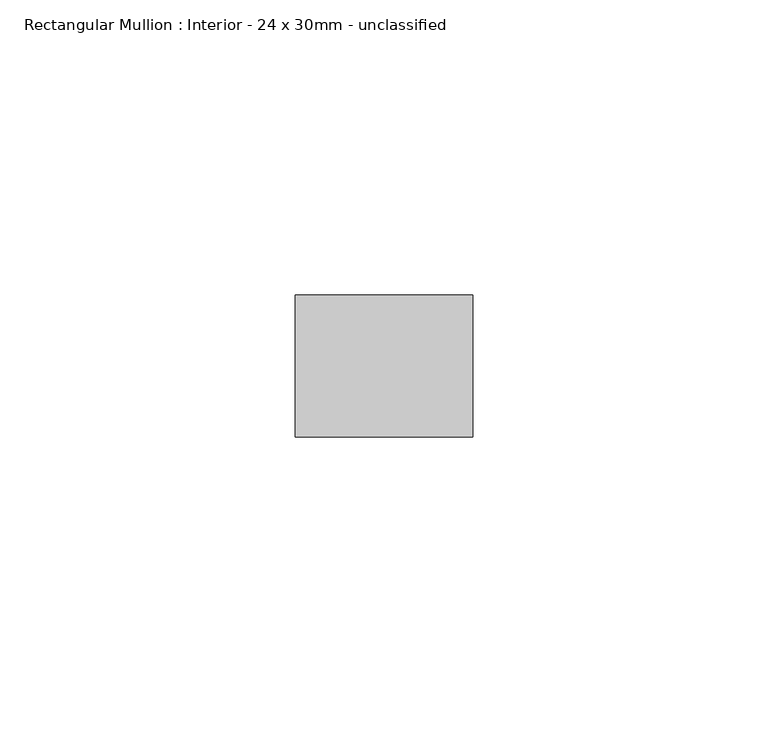
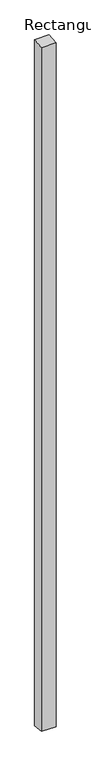
"""IFC4 building model written with IfcOpenShell, lengths in millimetres: member geometry, Rectangular Mullion : Interior - 24 x 30mm - unclassified."""

from ifc_helpers import new_model, si_unit, frame, origin, place, context, project, spatial, polyline, outline, extrude, source, transform, mapped, element, save


def rectangular_mullion_interior_24_x_30mm_unclassified_5d8da889(model_context):
    return source(origin(), model_context, "Body", "SweptSolid", [
        extrude(outline(polyline([(-12.0, -1.2931582), (12.0, 1.2931582), (12.0, -1501.306243), (-12.0, -1498.693757), (-12.0, -1.2931582)])), frame((-30.0, 0.0, 0.0), z_axis=(1.0, 0.0, 0.0), x_axis=(0.0, 1.0, 0.0)), (0.0, 0.0, 1.0), 30.0),
    ])


if __name__ == "__main__":
    model = new_model("IFC4")
    model_context = context("Model", 3, world=origin())
    ifc_project = project(units=[si_unit("LENGTHUNIT", "METRE", prefix="MILLI")], contexts=[model_context])
    site = spatial("IfcSite", under=ifc_project)
    building = spatial("IfcBuilding", under=site)
    placement = place(None, origin())
    rectangular_mullion_interior_24_x_30mm_unclassified_shape = rectangular_mullion_interior_24_x_30mm_unclassified_5d8da889(model_context)
    element("IfcMember", 1, ObjectType="Rectangular Mullion : Interior - 24 x 30mm - unclassified", at=placement, inside=building, context=model_context, shape_type="MappedRepresentation", body=[
        mapped(rectangular_mullion_interior_24_x_30mm_unclassified_shape, transform((0.0, 0.0, 0.0), x_axis=(1.0, 0.0, 0.0), y_axis=(0.0, 1.0, 0.0), z_axis=(0.0, 0.0, 1.0))),
    ])
    save(model, "model.ifc")
